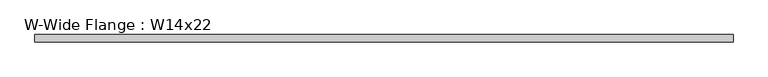
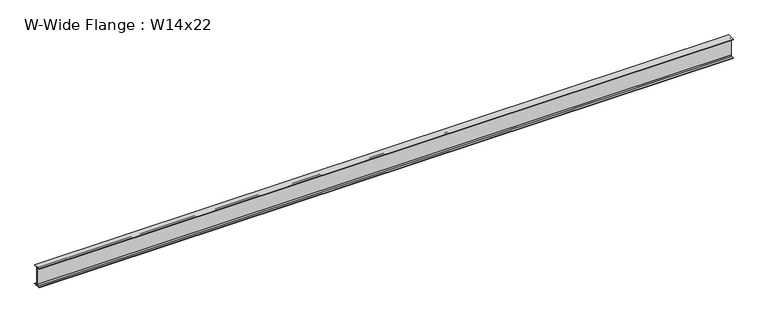
"""IFC4 building model written with IfcOpenShell, lengths in millimetres: beam geometry, W-Wide Flange : W14x22."""

from ifc_helpers import new_model, si_unit, point, frame, frame_2d, origin, place, context, project, spatial, polyline, circle_curve, trimmed, segment, composite_curve, outline, extrude, source, transform, mapped, element, save


def w_wide_flange_w14x22_b7e396ef(model_context):
    return source(origin(), model_context, "Body", "SweptSolid", [
        extrude(outline(composite_curve([segment(polyline([(63.5, -165.481), (63.5, -173.99), (-63.5, -173.99), (-63.5, -165.481), (-21.3995, -165.481)]), True, "CONTINUOUS"), segment(trimmed(circle_curve(frame_2d((-21.3995, -147.0025)), 18.4785), [point((-21.3995, -165.481))], [point((-2.921, -147.0025))], True, "CARTESIAN"), True, "CONTINUOUS"), segment(polyline([(-2.921, -147.0025), (-2.921, 147.0025)]), True, "CONTINUOUS"), segment(trimmed(circle_curve(frame_2d((-21.3995, 147.0025)), 18.4785), [point((-2.921, 147.0025))], [point((-21.3995, 165.481))], True, "CARTESIAN"), True, "CONTINUOUS"), segment(polyline([(-21.3995, 165.481), (-63.5, 165.481), (-63.5, 173.99), (63.5, 173.99), (63.5, 165.481), (21.3995, 165.481)]), True, "CONTINUOUS"), segment(trimmed(circle_curve(frame_2d((21.3995, 147.0025)), 18.4785), [point((21.3995, 165.481))], [point((2.921, 147.0025))], True, "CARTESIAN"), True, "CONTINUOUS"), segment(polyline([(2.921, 147.0025), (2.921, -147.0025)]), True, "CONTINUOUS"), segment(trimmed(circle_curve(frame_2d((21.3995, -147.0025)), 18.4785), [point((2.921, -147.0025))], [point((21.3995, -165.481))], True, "CARTESIAN"), True, "CONTINUOUS"), segment(polyline([(21.3995, -165.481), (63.5, -165.481)]), True, "CONTINUOUS")], self_intersect=False)), frame((-6083.3, 0.0, 0.0), z_axis=(1.0, 0.0, 0.0), x_axis=(0.0, 1.0, 0.0)), (0.0, 0.0, 1.0), 12002.77),
    ])


if __name__ == "__main__":
    model = new_model("IFC4")
    model_context = context("Model", 3, world=origin())
    ifc_project = project(units=[si_unit("LENGTHUNIT", "METRE", prefix="MILLI")], contexts=[model_context])
    site = spatial("IfcSite", under=ifc_project)
    building = spatial("IfcBuilding", under=site)
    placement = place(None, origin())
    w_wide_flange_w14x22_shape = w_wide_flange_w14x22_b7e396ef(model_context)
    element("IfcBeam", 1, ObjectType="W-Wide Flange : W14x22", at=placement, inside=building, context=model_context, shape_type="MappedRepresentation", body=[
        mapped(w_wide_flange_w14x22_shape, transform((0.0, 0.0, 0.0), x_axis=(1.0, 0.0, 0.0), y_axis=(0.0, 1.0, 0.0), z_axis=(0.0, 0.0, 1.0))),
    ])
    save(model, "model.ifc")
